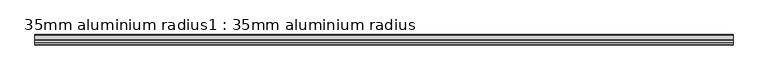
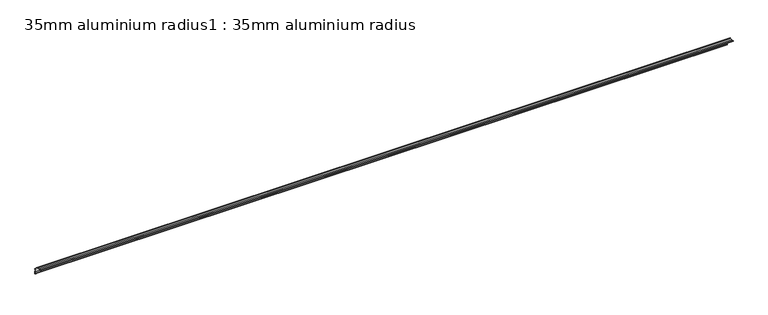
"""IFC4 building model written with IfcOpenShell, lengths in millimetres: proxy geometry, 35mm aluminium radius1 : 35mm aluminium radius."""

from ifc_helpers import new_model, si_unit, point, frame, frame_2d, origin, place, context, project, spatial, polyline, circle_curve, trimmed, segment, composite_curve, outline, extrude, source, transform, mapped, element, save


def proxy_35mm_aluminium_radius1_35mm_aluminium_radius_920ced99(model_context):
    return source(origin(), model_context, "Body", "SweptSolid", [
        extrude(outline(composite_curve([segment(trimmed(circle_curve(frame_2d((873.7417567, 1452.0423127)), 1.2042709), [point((872.9584604, 1451.1275913))], [point((874.0120327, 1450.8687629))], True, "CARTESIAN"), True, "CONTINUOUS"), segment(polyline([(874.0120327, 1450.8687629), (880.7202964, 1450.9187175)]), True, "CONTINUOUS"), segment(trimmed(circle_curve(frame_2d((880.9168847, 1424.5194495)), 26.4), [point((880.7202964, 1450.9187175))], [point((888.729318, 1449.7370205))], False, "CARTESIAN"), True, "CONTINUOUS"), segment(polyline([(888.729318, 1449.7370205), (888.717096, 1451.3782787), (890.1170572, 1451.3887038), (890.1329196, 1449.2585825)]), True, "CONTINUOUS"), segment(trimmed(circle_curve(frame_2d((880.9168847, 1424.5194495)), 26.4), [point((890.1329196, 1449.2585825))], [point((905.516023, 1434.1028933))], False, "CARTESIAN"), True, "CONTINUOUS"), segment(polyline([(905.516023, 1434.1028933), (907.6461443, 1434.1187558), (907.6565694, 1432.7187946), (906.0153112, 1432.7065726)]), True, "CONTINUOUS"), segment(trimmed(circle_curve(frame_2d((880.9168847, 1424.5194495)), 26.4), [point((906.0153112, 1432.7065726))], [point((907.3161527, 1424.7160378))], False, "CARTESIAN"), True, "CONTINUOUS"), segment(polyline([(907.3161527, 1424.7160378), (907.3634105, 1418.3699217)]), True, "CONTINUOUS"), segment(trimmed(circle_curve(frame_2d((910.2162293, 1418.1969668)), 2.8580567), [point((907.3634105, 1418.3699217))], [point((907.6405975, 1416.9581733))], True, "CARTESIAN"), True, "CONTINUOUS"), segment(trimmed(circle_curve(frame_2d((907.2764723, 1416.6155177)), 0.5), [point((907.6405975, 1416.9581733))], [point((906.9460082, 1416.2402932))], False, "CARTESIAN"), True, "CONTINUOUS"), segment(trimmed(circle_curve(frame_2d((908.9627748, 1418.4612507)), 3.0), [point((906.9460082, 1416.2402932))], [point((905.962858, 1418.4389112))], False, "CARTESIAN"), True, "CONTINUOUS"), segment(polyline([(905.962858, 1418.4389112), (905.9161915, 1424.7056127)]), True, "CONTINUOUS"), segment(trimmed(circle_curve(frame_2d((880.9168847, 1424.5194495)), 25.0), [point((905.9161915, 1424.7056127))], [point((880.7307215, 1449.5187564))], True, "CARTESIAN"), True, "CONTINUOUS"), segment(polyline([(880.7307215, 1449.5187564), (874.46402, 1449.4720899)]), True, "CONTINUOUS"), segment(trimmed(circle_curve(frame_2d((874.4416805, 1452.4720067)), 3.0), [point((874.46402, 1449.4720899))], [point((872.2635023, 1450.4091107))], False, "CARTESIAN"), True, "CONTINUOUS"), segment(trimmed(circle_curve(frame_2d((872.6212656, 1450.7584035)), 0.5), [point((872.2635023, 1450.4091107))], [point((872.9584604, 1451.1275913))], False, "CARTESIAN"), True, "CONTINUOUS")], self_intersect=False)), frame((-5219.6640929, 0.0, 0.0), z_axis=(1.0, 0.0, 0.0), x_axis=(0.0, 1.0, 0.0)), (0.0, 0.0, 1.0), 2400.0),
    ])


if __name__ == "__main__":
    model = new_model("IFC4")
    model_context = context("Model", 3, world=origin())
    ifc_project = project(units=[si_unit("LENGTHUNIT", "METRE", prefix="MILLI")], contexts=[model_context])
    site = spatial("IfcSite", under=ifc_project)
    building = spatial("IfcBuilding", under=site)
    placement = place(None, origin())
    proxy_35mm_aluminium_radius1_35mm_aluminium_radius_shape = proxy_35mm_aluminium_radius1_35mm_aluminium_radius_920ced99(model_context)
    element("IfcBuildingElementProxy", 1, Name="35mm aluminium radius1 : 35mm aluminium radius", ObjectType="35mm aluminium radius1 : 35mm aluminium radius", at=placement, inside=building, context=model_context, shape_type="MappedRepresentation", body=[
        mapped(proxy_35mm_aluminium_radius1_35mm_aluminium_radius_shape, transform((0.0, 0.0, 0.0), x_axis=(1.0, 0.0, 0.0), y_axis=(0.0, 1.0, 0.0), z_axis=(0.0, 0.0, 1.0))),
    ])
    save(model, "model.ifc")
